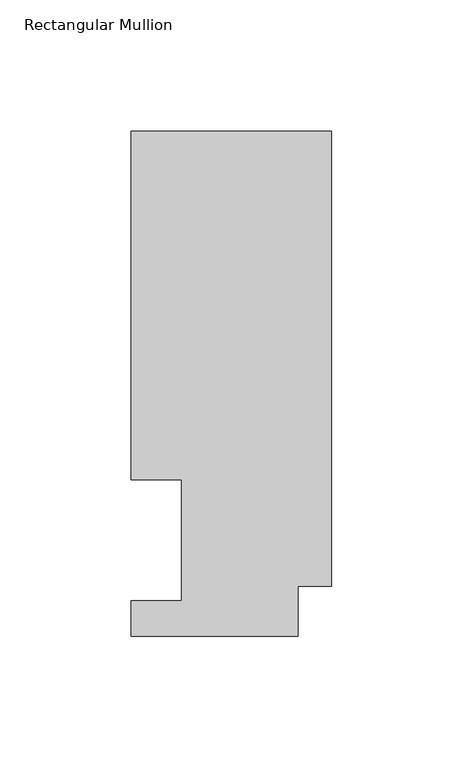
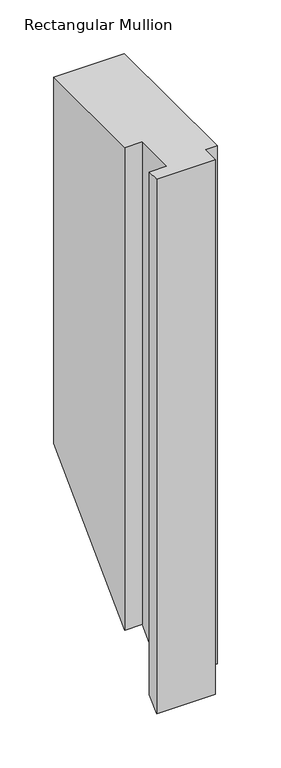
"""IFC4 building model written with IfcOpenShell, lengths in millimetres: member geometry, Rectangular Mullion."""

from ifc_helpers import new_model, si_unit, origin, place, context, project, spatial, faceted_brep, source, transform, mapped, element, save


def rectangular_mullion_e210b80f(model_context):
    return source(origin(), model_context, "Body", "Brep", [
        faceted_brep([(-76.2, 192.09385, 0.0), (-76.2, 59.53125, 0.0), (-57.15, 59.53125, 0.0), (-57.15, 13.50645, 0.0), (-76.2, 13.50645, 0.0), (-76.2, 0.04445, 0.0), (-12.7, 0.04445, 0.0), (-12.7, 19.06905, 0.0), (0.0, 19.06905, 0.0), (0.0, 192.09385, 0.0), (-76.2, 192.09385, -417.5194438), (-76.2, 59.53125, -550.0820438), (-57.15, 59.53125, -550.0820438), (-57.15, 13.50645, -596.1068438), (-76.2, 13.50645, -596.1068438), (-76.2, 0.04445, -609.5688438), (-12.7, 0.04445, -609.5688438), (-12.7, 19.06905, -590.5442438), (0.0, 19.06905, -590.5442438), (0.0, 192.09385, -417.5194438)], [[[0, 1, 2, 3, 4, 5, 6, 7, 8, 9]], [[1, 0, 10, 11]], [[2, 1, 11, 12]], [[3, 2, 12, 13]], [[4, 3, 13, 14]], [[5, 4, 14, 15]], [[6, 5, 15, 16]], [[7, 6, 16, 17]], [[8, 7, 17, 18]], [[9, 8, 18, 19]], [[0, 9, 19, 10]], [[10, 19, 18, 17, 16, 15, 14, 13, 12, 11]]]),
    ])


if __name__ == "__main__":
    model = new_model("IFC4")
    model_context = context("Model", 3, world=origin())
    ifc_project = project(units=[si_unit("LENGTHUNIT", "METRE", prefix="MILLI")], contexts=[model_context])
    site = spatial("IfcSite", under=ifc_project)
    building = spatial("IfcBuilding", under=site)
    placement = place(None, origin())
    rectangular_mullion_shape = rectangular_mullion_e210b80f(model_context)
    element("IfcMember", 1, ObjectType="Rectangular Mullion", at=placement, inside=building, context=model_context, shape_type="MappedRepresentation", body=[
        mapped(rectangular_mullion_shape, transform((0.0, 0.0, 0.0), x_axis=(1.0, 0.0, 0.0), y_axis=(0.0, 1.0, 0.0), z_axis=(0.0, 0.0, 1.0))),
    ])
    save(model, "model.ifc")
